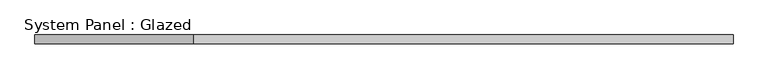
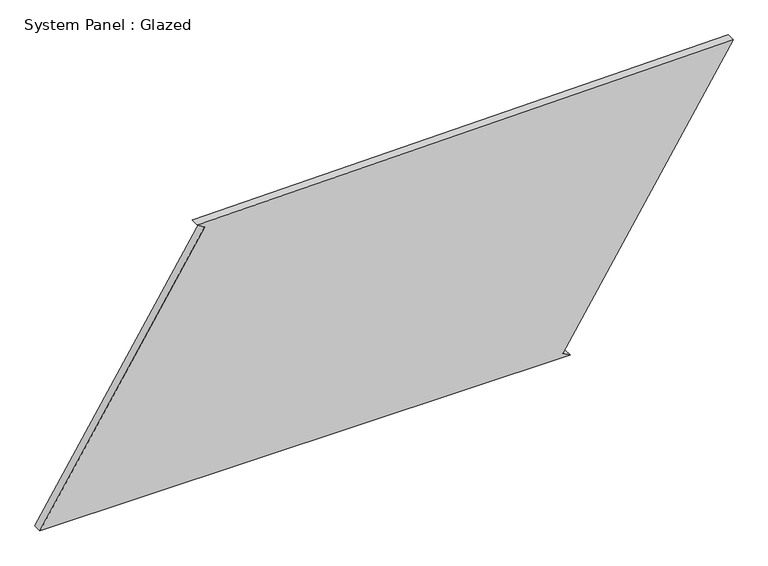
"""IFC4 building model written with IfcOpenShell, lengths in millimetres: plate geometry, System Panel : Glazed."""

from ifc_helpers import new_model, si_unit, frame, origin, place, context, project, spatial, polyline, outline, extrude, source, transform, mapped, element, save


def system_panel_glazed_90df26d3(model_context):
    return source(origin(), model_context, "Body", "SweptSolid", [
        extrude(outline(polyline([(0.0, -1005.9937665), (0.0, 533.4473892), (13.2523561, 512.2489209), (803.046593, 1005.9937665), (778.8236036, -548.8971766), (765.5773539, -527.6948921), (0.0, -1005.9937665)])), frame((0.0, -49.5, 0.0), z_axis=(0.0, 1.0, 0.0), x_axis=(0.0, 0.0, 1.0)), (0.0, 0.0, 1.0), 25.0),
    ])


if __name__ == "__main__":
    model = new_model("IFC4")
    model_context = context("Model", 3, world=origin())
    ifc_project = project(units=[si_unit("LENGTHUNIT", "METRE", prefix="MILLI")], contexts=[model_context])
    site = spatial("IfcSite", under=ifc_project)
    building = spatial("IfcBuilding", under=site)
    placement = place(None, origin())
    system_panel_glazed_shape = system_panel_glazed_90df26d3(model_context)
    element("IfcPlate", 1, ObjectType="System Panel : Glazed", at=placement, inside=building, context=model_context, shape_type="MappedRepresentation", body=[
        mapped(system_panel_glazed_shape, transform((0.0, 0.0, 0.0), x_axis=(1.0, 0.0, 0.0), y_axis=(0.0, 1.0, 0.0), z_axis=(0.0, 0.0, 1.0))),
    ])
    save(model, "model.ifc")
